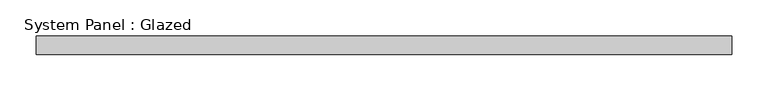
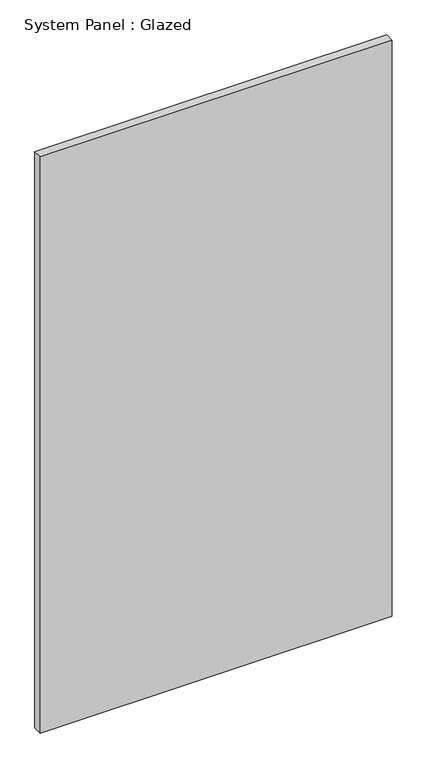
"""IFC4 building model written with IfcOpenShell, lengths in millimetres: plate geometry, System Panel : Glazed."""

from ifc_helpers import new_model, si_unit, origin, origin_with_axes, place, context, project, spatial, polyline, outline, extrude, source, transform, mapped, element, save


def system_panel_glazed_76fc4c13(model_context):
    return source(origin(), model_context, "Body", "SweptSolid", [
        extrude(outline(polyline([(476.9623029, 24.5), (-476.9623029, 24.5), (-476.9623029, 49.5), (476.9623029, 49.5), (476.9623029, 24.5)])), origin_with_axes(), (0.0, 0.0, 1.0), 1650.0),
    ])


if __name__ == "__main__":
    model = new_model("IFC4")
    model_context = context("Model", 3, world=origin())
    ifc_project = project(units=[si_unit("LENGTHUNIT", "METRE", prefix="MILLI")], contexts=[model_context])
    site = spatial("IfcSite", under=ifc_project)
    building = spatial("IfcBuilding", under=site)
    placement = place(None, origin())
    system_panel_glazed_shape = system_panel_glazed_76fc4c13(model_context)
    element("IfcPlate", 1, ObjectType="System Panel : Glazed", at=placement, inside=building, context=model_context, shape_type="MappedRepresentation", body=[
        mapped(system_panel_glazed_shape, transform((0.0, 0.0, 0.0), x_axis=(1.0, 0.0, 0.0), y_axis=(0.0, 1.0, 0.0), z_axis=(0.0, 0.0, 1.0))),
    ])
    save(model, "model.ifc")
